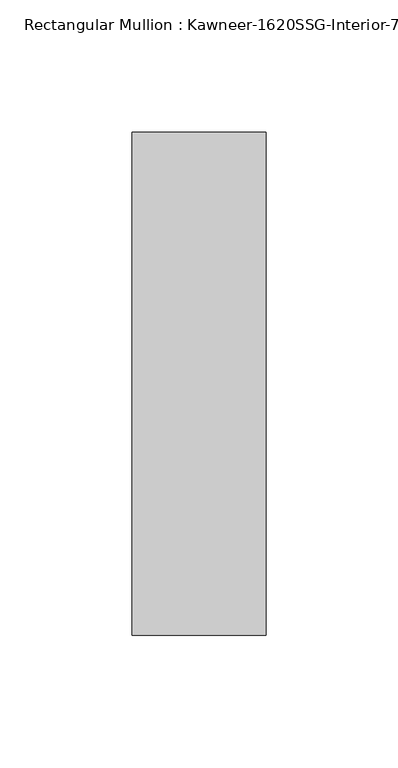
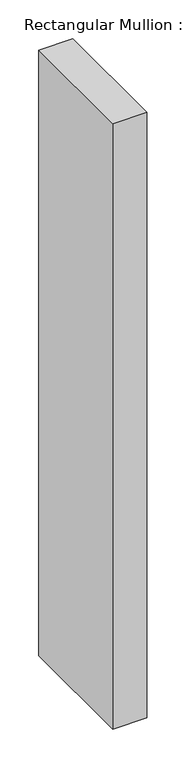
"""IFC4 building model written with IfcOpenShell, lengths in millimetres: member geometry."""

import ifcopenshell
import ifcopenshell.guid

model = None  # the IFC model being written
_history = None  # IfcOwnerHistory: only IFC2X3 demands one
_inside = {}  # id of a spatial element -> (the spatial element, [elements in it])
_under = {}  # id of a project, library or spatial element -> (it, [spatial elements below it])
_declared = {}  # id of a project -> (the project, [libraries it declares])
_typed = {}  # id of a type object -> (the type object, [elements of that type])
_made_of = {}  # id of a material, layer set ... -> (it, [elements and type objects made of it])


def new_model(schema):
    """Start an empty IFC model of exactly this schema.

    Asked for "IFC4X3", IfcOpenShell would pick the latest addendum, in which some entities
    have other attributes; the version numbers below select the first issue.
    IFC2X3 requires an IfcOwnerHistory on every rooted entity: one is made here for all.
    """
    global model, _history
    if schema == "IFC4X3":
        model = ifcopenshell.file(schema_version=(4, 3, 0, 0))
    else:
        model = ifcopenshell.file(schema=schema)
    _inside.clear()
    _under.clear()
    _declared.clear()
    _typed.clear()
    _made_of.clear()
    _history = None
    if model.schema == "IFC2X3":
        org = make("IfcOrganization", Name="unknown")
        user = make(
            "IfcPersonAndOrganization",
            ThePerson=make("IfcPerson", FamilyName="unknown"),
            TheOrganization=org,
        )
        app = make(
            "IfcApplication",
            ApplicationDeveloper=org,
            Version="unknown",
            ApplicationFullName="unknown",
            ApplicationIdentifier="unknown",
        )
        _history = make(
            "IfcOwnerHistory",
            OwningUser=user,
            OwningApplication=app,
            ChangeAction="ADDED",
            CreationDate=0,
        )
    return model


def make(cls, **values):
    """One entity of the class cls with the attributes given. An attribute that is None is left unset."""
    return model.create_entity(
        cls, **{name: value for name, value in values.items() if value is not None}
    )


def rooted(cls, **values):
    """An entity with a GlobalId (a new one), such as an element, a storey or a relation."""
    return make(cls, GlobalId=ifcopenshell.guid.new(), OwnerHistory=_history, **values)


def si_unit(unit_type, name, prefix=None):
    """IfcSIUnit, for example si_unit("LENGTHUNIT", "METRE", prefix="MILLI")."""
    return make("IfcSIUnit", UnitType=unit_type, Prefix=prefix, Name=name)


def assignment(units):
    """IfcUnitAssignment: the units of a project."""
    return None if units is None else make("IfcUnitAssignment", Units=units)


def point(xyz):
    """IfcCartesianPoint."""
    return None if xyz is None else make("IfcCartesianPoint", Coordinates=xyz)


def direction(xyz):
    """IfcDirection."""
    return None if xyz is None else make("IfcDirection", DirectionRatios=xyz)


def frame(location, z_axis=None, x_axis=None):
    """IfcAxis2Placement3D, a coordinate frame: its origin and axes. An axis left out is left unset."""
    return make(
        "IfcAxis2Placement3D",
        Location=point(location),
        Axis=direction(z_axis),
        RefDirection=direction(x_axis),
    )


def origin():
    """The frame at (0, 0, 0) with its axes left unset."""
    return frame((0.0, 0.0, 0.0))


def place(relative_to, where):
    """IfcLocalPlacement: puts the frame where relative to a parent placement (None: the world)."""
    return make(
        "IfcLocalPlacement", PlacementRelTo=relative_to, RelativePlacement=where
    )


def context(
    kind, dimensions, precision=None, world=None, true_north=None, identifier=None
):
    """IfcGeometricRepresentationContext, for example the 3D "Model" context."""
    return make(
        "IfcGeometricRepresentationContext",
        ContextIdentifier=identifier,
        ContextType=kind,
        CoordinateSpaceDimension=dimensions,
        Precision=precision,
        WorldCoordinateSystem=world,
        TrueNorth=true_north,
    )


def project(units=None, contexts=None):
    """IfcProject with its units and contexts."""
    return rooted(
        "IfcProject",
        Name="project",
        RepresentationContexts=contexts,
        UnitsInContext=assignment(units),
    )


def spatial(cls, under=None, at=None, **own):
    """A site, building, storey or space (cls), placed at a placement, below another one or the project."""
    s = rooted(cls, ObjectPlacement=at, **own)
    if under is not None:
        _under.setdefault(under.id(), (under, []))[1].append(s)
    return s


def polyline(points):
    """IfcPolyline through the points."""
    return make("IfcPolyline", Points=[point(p) for p in points])


def outline(outer, holes=None, kind="AREA"):
    """IfcArbitraryClosedProfileDef: a profile drawn as a closed curve; with holes, ...WithVoids."""
    if holes is None:
        return make("IfcArbitraryClosedProfileDef", ProfileType=kind, OuterCurve=outer)
    return make(
        "IfcArbitraryProfileDefWithVoids",
        ProfileType=kind,
        OuterCurve=outer,
        InnerCurves=holes,
    )


def extrude(swept, where, along, depth):
    """IfcExtrudedAreaSolid: the profile swept, set in the frame where, extruded along a direction by depth."""
    return make(
        "IfcExtrudedAreaSolid",
        SweptArea=swept,
        Position=where,
        ExtrudedDirection=direction(along),
        Depth=depth,
    )


def shape(context_of_items, identifier, shape_type, items):
    """IfcShapeRepresentation: the items that make up one representation, for example the "Body"."""
    return make(
        "IfcShapeRepresentation",
        ContextOfItems=context_of_items,
        RepresentationIdentifier=identifier,
        RepresentationType=shape_type,
        Items=items,
    )


def source(mapping_origin, context_of_items, identifier, shape_type, items):
    """IfcRepresentationMap: a shape defined once, which mapped items show again and again."""
    return make(
        "IfcRepresentationMap",
        MappingOrigin=mapping_origin,
        MappedRepresentation=shape(context_of_items, identifier, shape_type, items),
    )


def transform(
    local_origin,
    x_axis=None,
    y_axis=None,
    z_axis=None,
    scale=None,
    scale2=None,
    scale3=None,
    uniform=True,
):
    """IfcCartesianTransformationOperator3D, or its non-uniform kind. x_axis, y_axis, z_axis: its Axis1, 2, 3."""
    if uniform:
        return make(
            "IfcCartesianTransformationOperator3D",
            Axis1=direction(x_axis),
            Axis2=direction(y_axis),
            LocalOrigin=point(local_origin),
            Scale=scale,
            Axis3=direction(z_axis),
        )
    return make(
        "IfcCartesianTransformationOperator3DnonUniform",
        Axis1=direction(x_axis),
        Axis2=direction(y_axis),
        LocalOrigin=point(local_origin),
        Scale=scale,
        Axis3=direction(z_axis),
        Scale2=scale2,
        Scale3=scale3,
    )


def mapped(mapping_source, mapping_target):
    """IfcMappedItem: shows the shape of a source again, moved by a transform."""
    return make(
        "IfcMappedItem", MappingSource=mapping_source, MappingTarget=mapping_target
    )


def made_of(thing, what):
    """Note that an element or type object is made of a material, layer set ...; save() writes the relation."""
    if what is not None:
        _made_of.setdefault(what.id(), (what, []))[1].append(thing)
    return thing


def element(
    cls,
    number,
    at=None,
    inside=None,
    cuts=None,
    type_object=None,
    material=None,
    context=None,
    identifier="Body",
    shape_type=None,
    held_by="IfcProductDefinitionShape",
    body=None,
    shapes=None,
    **own,
):
    """One element of the class cls, such as IfcWall. Its Tag is "e" and its number.

    at: its placement. inside: the storey or other place that contains it. cuts: it is an
    opening in that element (IfcRelVoidsElement). A single representation is given by context,
    identifier, shape_type and body (its items); several are given by shapes. held_by: the class
    of the entity that holds the representations. save() writes the other relations.
    """
    e = rooted(cls, Tag="e%d" % number, ObjectPlacement=at, **own)
    if body is not None:
        shapes = [shape(context, identifier, shape_type, body)]
    if shapes is not None:
        e.Representation = make(held_by, Representations=shapes)
    if inside is not None:
        _inside.setdefault(inside.id(), (inside, []))[1].append(e)
    if cuts is not None:
        rooted(
            "IfcRelVoidsElement", RelatingBuildingElement=cuts, RelatedOpeningElement=e
        )
    if type_object is not None:
        _typed.setdefault(type_object.id(), (type_object, []))[1].append(e)
    return made_of(e, material)


def aggregate(whole, parts):
    """IfcRelAggregates: a whole, such as a stair, and the parts it consists of."""
    return rooted("IfcRelAggregates", RelatingObject=whole, RelatedObjects=parts)


def save(model, path):
    """Write the relations noted so far, then the file.

    IfcRelAggregates (storeys below a building ...), IfcRelContainedInSpatialStructure (elements
    in a storey), IfcRelDefinesByType, IfcRelAssociatesMaterial and IfcRelDeclares: one each for
    every whole, place, type object, material and project.
    """
    for whole, parts in _under.values():
        aggregate(whole, parts)
    for where, things in _inside.values():
        rooted(
            "IfcRelContainedInSpatialStructure",
            RelatedElements=things,
            RelatingStructure=where,
        )
    for kind, things in _typed.values():
        rooted("IfcRelDefinesByType", RelatedObjects=things, RelatingType=kind)
    for what, things in _made_of.values():
        rooted("IfcRelAssociatesMaterial", RelatedObjects=things, RelatingMaterial=what)
    for by, libraries in _declared.values():
        rooted("IfcRelDeclares", RelatingContext=by, RelatedDefinitions=libraries)
    model.write(path)


def member_a42369a9(model_context):
    return source(origin(), model_context, "Body", "SweptSolid", [
        extrude(outline(polyline([(25.4, 161.925), (25.4, -28.575), (-25.4, -28.575), (-25.4, 161.925), (25.4, 161.925)])), frame((0.0, 0.0, -952.5), z_axis=(0.0, 0.0, 1.0), x_axis=(1.0, 0.0, 0.0)), (0.0, 0.0, 1.0), 952.5),
    ])


if __name__ == "__main__":
    model = new_model("IFC4")
    model_context = context("Model", 3, world=origin())
    ifc_project = project(units=[si_unit("LENGTHUNIT", "METRE", prefix="MILLI")], contexts=[model_context])
    site = spatial("IfcSite", under=ifc_project)
    building = spatial("IfcBuilding", under=site)
    placement = place(None, origin())
    member_shape = member_a42369a9(model_context)
    element("IfcMember", 1, ObjectType="Rectangular Mullion : Kawneer-1620SSG-Interior-7.5\"-1/4\"Infill", at=placement, inside=building, context=model_context, shape_type="MappedRepresentation", body=[
        mapped(member_shape, transform((0.0, 0.0, 0.0), x_axis=(1.0, 0.0, 0.0), y_axis=(0.0, 1.0, 0.0), z_axis=(0.0, 0.0, 1.0))),
    ])
    save(model, "model.ifc")
